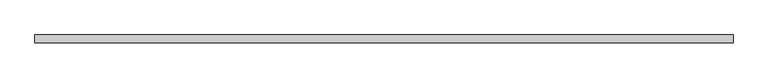
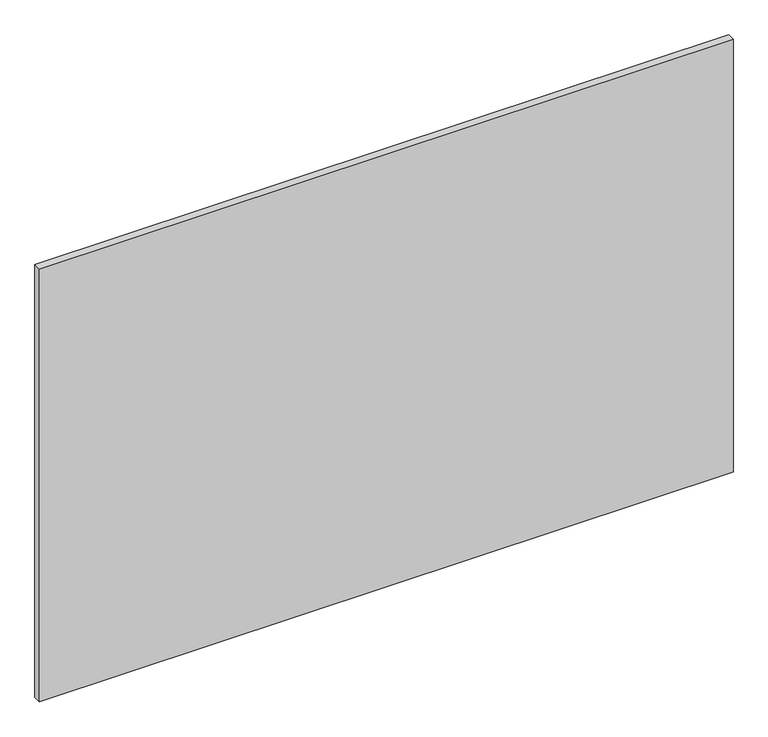
"""IFC4 building model written with IfcOpenShell, lengths in millimetres: plate geometry."""

from ifc_helpers import new_model, si_unit, origin, origin_with_axes, place, context, project, spatial, polyline, outline, extrude, source, transform, mapped, element, save


def plate_083a2093(model_context):
    return source(origin(), model_context, "Body", "SweptSolid", [
        extrude(outline(polyline([(625.0, -64.0), (-625.0, -64.0), (-625.0, -50.0), (625.0, -50.0), (625.0, -64.0)])), origin_with_axes(), (0.0, 0.0, 1.0), 825.0),
    ])


if __name__ == "__main__":
    model = new_model("IFC4")
    model_context = context("Model", 3, world=origin())
    ifc_project = project(units=[si_unit("LENGTHUNIT", "METRE", prefix="MILLI")], contexts=[model_context])
    site = spatial("IfcSite", under=ifc_project)
    building = spatial("IfcBuilding", under=site)
    placement = place(None, origin())
    plate_shape = plate_083a2093(model_context)
    element("IfcPlate", 1, at=placement, inside=building, context=model_context, shape_type="MappedRepresentation", body=[
        mapped(plate_shape, transform((0.0, 0.0, 0.0), x_axis=(1.0, 0.0, 0.0), y_axis=(0.0, 1.0, 0.0), z_axis=(0.0, 0.0, 1.0))),
    ])
    save(model, "model.ifc")
